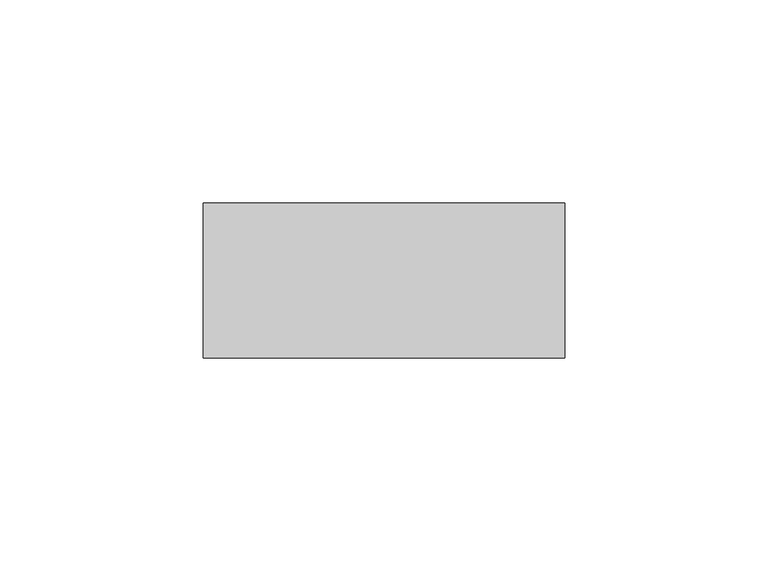
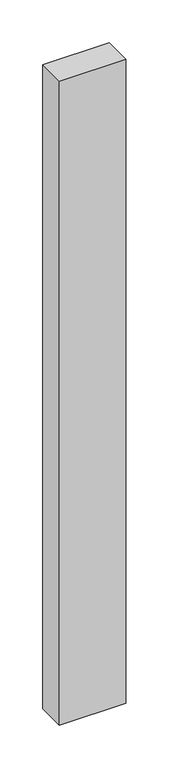
"""IFC4 building model written with IfcOpenShell, lengths in millimetres: proxy geometry."""

import ifcopenshell
import ifcopenshell.guid

model = None  # the IFC model being written
_history = None  # IfcOwnerHistory: only IFC2X3 demands one
_inside = {}  # id of a spatial element -> (the spatial element, [elements in it])
_under = {}  # id of a project, library or spatial element -> (it, [spatial elements below it])
_declared = {}  # id of a project -> (the project, [libraries it declares])
_typed = {}  # id of a type object -> (the type object, [elements of that type])
_made_of = {}  # id of a material, layer set ... -> (it, [elements and type objects made of it])


def new_model(schema):
    """Start an empty IFC model of exactly this schema.

    Asked for "IFC4X3", IfcOpenShell would pick the latest addendum, in which some entities
    have other attributes; the version numbers below select the first issue.
    IFC2X3 requires an IfcOwnerHistory on every rooted entity: one is made here for all.
    """
    global model, _history
    if schema == "IFC4X3":
        model = ifcopenshell.file(schema_version=(4, 3, 0, 0))
    else:
        model = ifcopenshell.file(schema=schema)
    _inside.clear()
    _under.clear()
    _declared.clear()
    _typed.clear()
    _made_of.clear()
    _history = None
    if model.schema == "IFC2X3":
        org = make("IfcOrganization", Name="unknown")
        user = make(
            "IfcPersonAndOrganization",
            ThePerson=make("IfcPerson", FamilyName="unknown"),
            TheOrganization=org,
        )
        app = make(
            "IfcApplication",
            ApplicationDeveloper=org,
            Version="unknown",
            ApplicationFullName="unknown",
            ApplicationIdentifier="unknown",
        )
        _history = make(
            "IfcOwnerHistory",
            OwningUser=user,
            OwningApplication=app,
            ChangeAction="ADDED",
            CreationDate=0,
        )
    return model


def make(cls, **values):
    """One entity of the class cls with the attributes given. An attribute that is None is left unset."""
    return model.create_entity(
        cls, **{name: value for name, value in values.items() if value is not None}
    )


def rooted(cls, **values):
    """An entity with a GlobalId (a new one), such as an element, a storey or a relation."""
    return make(cls, GlobalId=ifcopenshell.guid.new(), OwnerHistory=_history, **values)


def si_unit(unit_type, name, prefix=None):
    """IfcSIUnit, for example si_unit("LENGTHUNIT", "METRE", prefix="MILLI")."""
    return make("IfcSIUnit", UnitType=unit_type, Prefix=prefix, Name=name)


def assignment(units):
    """IfcUnitAssignment: the units of a project."""
    return None if units is None else make("IfcUnitAssignment", Units=units)


def point(xyz):
    """IfcCartesianPoint."""
    return None if xyz is None else make("IfcCartesianPoint", Coordinates=xyz)


def direction(xyz):
    """IfcDirection."""
    return None if xyz is None else make("IfcDirection", DirectionRatios=xyz)


def frame(location, z_axis=None, x_axis=None):
    """IfcAxis2Placement3D, a coordinate frame: its origin and axes. An axis left out is left unset."""
    return make(
        "IfcAxis2Placement3D",
        Location=point(location),
        Axis=direction(z_axis),
        RefDirection=direction(x_axis),
    )


def origin():
    """The frame at (0, 0, 0) with its axes left unset."""
    return frame((0.0, 0.0, 0.0))


def place(relative_to, where):
    """IfcLocalPlacement: puts the frame where relative to a parent placement (None: the world)."""
    return make(
        "IfcLocalPlacement", PlacementRelTo=relative_to, RelativePlacement=where
    )


def context(
    kind, dimensions, precision=None, world=None, true_north=None, identifier=None
):
    """IfcGeometricRepresentationContext, for example the 3D "Model" context."""
    return make(
        "IfcGeometricRepresentationContext",
        ContextIdentifier=identifier,
        ContextType=kind,
        CoordinateSpaceDimension=dimensions,
        Precision=precision,
        WorldCoordinateSystem=world,
        TrueNorth=true_north,
    )


def project(units=None, contexts=None):
    """IfcProject with its units and contexts."""
    return rooted(
        "IfcProject",
        Name="project",
        RepresentationContexts=contexts,
        UnitsInContext=assignment(units),
    )


def spatial(cls, under=None, at=None, **own):
    """A site, building, storey or space (cls), placed at a placement, below another one or the project."""
    s = rooted(cls, ObjectPlacement=at, **own)
    if under is not None:
        _under.setdefault(under.id(), (under, []))[1].append(s)
    return s


def polyline(points):
    """IfcPolyline through the points."""
    return make("IfcPolyline", Points=[point(p) for p in points])


def outline(outer, holes=None, kind="AREA"):
    """IfcArbitraryClosedProfileDef: a profile drawn as a closed curve; with holes, ...WithVoids."""
    if holes is None:
        return make("IfcArbitraryClosedProfileDef", ProfileType=kind, OuterCurve=outer)
    return make(
        "IfcArbitraryProfileDefWithVoids",
        ProfileType=kind,
        OuterCurve=outer,
        InnerCurves=holes,
    )


def extrude(swept, where, along, depth):
    """IfcExtrudedAreaSolid: the profile swept, set in the frame where, extruded along a direction by depth."""
    return make(
        "IfcExtrudedAreaSolid",
        SweptArea=swept,
        Position=where,
        ExtrudedDirection=direction(along),
        Depth=depth,
    )


def shape(context_of_items, identifier, shape_type, items):
    """IfcShapeRepresentation: the items that make up one representation, for example the "Body"."""
    return make(
        "IfcShapeRepresentation",
        ContextOfItems=context_of_items,
        RepresentationIdentifier=identifier,
        RepresentationType=shape_type,
        Items=items,
    )


def source(mapping_origin, context_of_items, identifier, shape_type, items):
    """IfcRepresentationMap: a shape defined once, which mapped items show again and again."""
    return make(
        "IfcRepresentationMap",
        MappingOrigin=mapping_origin,
        MappedRepresentation=shape(context_of_items, identifier, shape_type, items),
    )


def transform(
    local_origin,
    x_axis=None,
    y_axis=None,
    z_axis=None,
    scale=None,
    scale2=None,
    scale3=None,
    uniform=True,
):
    """IfcCartesianTransformationOperator3D, or its non-uniform kind. x_axis, y_axis, z_axis: its Axis1, 2, 3."""
    if uniform:
        return make(
            "IfcCartesianTransformationOperator3D",
            Axis1=direction(x_axis),
            Axis2=direction(y_axis),
            LocalOrigin=point(local_origin),
            Scale=scale,
            Axis3=direction(z_axis),
        )
    return make(
        "IfcCartesianTransformationOperator3DnonUniform",
        Axis1=direction(x_axis),
        Axis2=direction(y_axis),
        LocalOrigin=point(local_origin),
        Scale=scale,
        Axis3=direction(z_axis),
        Scale2=scale2,
        Scale3=scale3,
    )


def mapped(mapping_source, mapping_target):
    """IfcMappedItem: shows the shape of a source again, moved by a transform."""
    return make(
        "IfcMappedItem", MappingSource=mapping_source, MappingTarget=mapping_target
    )


def made_of(thing, what):
    """Note that an element or type object is made of a material, layer set ...; save() writes the relation."""
    if what is not None:
        _made_of.setdefault(what.id(), (what, []))[1].append(thing)
    return thing


def element(
    cls,
    number,
    at=None,
    inside=None,
    cuts=None,
    type_object=None,
    material=None,
    context=None,
    identifier="Body",
    shape_type=None,
    held_by="IfcProductDefinitionShape",
    body=None,
    shapes=None,
    **own,
):
    """One element of the class cls, such as IfcWall. Its Tag is "e" and its number.

    at: its placement. inside: the storey or other place that contains it. cuts: it is an
    opening in that element (IfcRelVoidsElement). A single representation is given by context,
    identifier, shape_type and body (its items); several are given by shapes. held_by: the class
    of the entity that holds the representations. save() writes the other relations.
    """
    e = rooted(cls, Tag="e%d" % number, ObjectPlacement=at, **own)
    if body is not None:
        shapes = [shape(context, identifier, shape_type, body)]
    if shapes is not None:
        e.Representation = make(held_by, Representations=shapes)
    if inside is not None:
        _inside.setdefault(inside.id(), (inside, []))[1].append(e)
    if cuts is not None:
        rooted(
            "IfcRelVoidsElement", RelatingBuildingElement=cuts, RelatedOpeningElement=e
        )
    if type_object is not None:
        _typed.setdefault(type_object.id(), (type_object, []))[1].append(e)
    return made_of(e, material)


def aggregate(whole, parts):
    """IfcRelAggregates: a whole, such as a stair, and the parts it consists of."""
    return rooted("IfcRelAggregates", RelatingObject=whole, RelatedObjects=parts)


def save(model, path):
    """Write the relations noted so far, then the file.

    IfcRelAggregates (storeys below a building ...), IfcRelContainedInSpatialStructure (elements
    in a storey), IfcRelDefinesByType, IfcRelAssociatesMaterial and IfcRelDeclares: one each for
    every whole, place, type object, material and project.
    """
    for whole, parts in _under.values():
        aggregate(whole, parts)
    for where, things in _inside.values():
        rooted(
            "IfcRelContainedInSpatialStructure",
            RelatedElements=things,
            RelatingStructure=where,
        )
    for kind, things in _typed.values():
        rooted("IfcRelDefinesByType", RelatedObjects=things, RelatingType=kind)
    for what, things in _made_of.values():
        rooted("IfcRelAssociatesMaterial", RelatedObjects=things, RelatingMaterial=what)
    for by, libraries in _declared.values():
        rooted("IfcRelDeclares", RelatingContext=by, RelatedDefinitions=libraries)
    model.write(path)


def generic_models_0474889c(model_context):
    return source(origin(), model_context, "Body", "SweptSolid", [
        extrude(outline(polyline([(37249.6710168, -24039.9529893), (37249.6710168, -24001.8529893), (37338.5710168, -24001.8529893), (37338.5710168, -24039.9529893), (37249.6710168, -24039.9529893)])), frame((0.0, 0.0, 1524.0), z_axis=(0.0, 0.0, 1.0), x_axis=(1.0, 0.0, 0.0)), (0.0, 0.0, 1.0), 914.4),
    ])


if __name__ == "__main__":
    model = new_model("IFC4")
    model_context = context("Model", 3, world=origin())
    ifc_project = project(units=[si_unit("LENGTHUNIT", "METRE", prefix="MILLI")], contexts=[model_context])
    site = spatial("IfcSite", under=ifc_project)
    building = spatial("IfcBuilding", under=site)
    placement = place(None, origin())
    generic_models_shape = generic_models_0474889c(model_context)
    element("IfcBuildingElementProxy", 1, Name="Generic Models", at=placement, inside=building, context=model_context, shape_type="MappedRepresentation", body=[
        mapped(generic_models_shape, transform((0.0, 0.0, 0.0), x_axis=(1.0, 0.0, 0.0), y_axis=(0.0, 1.0, 0.0), z_axis=(0.0, 0.0, 1.0))),
    ])
    save(model, "model.ifc")
